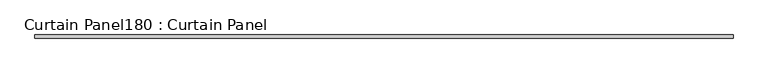
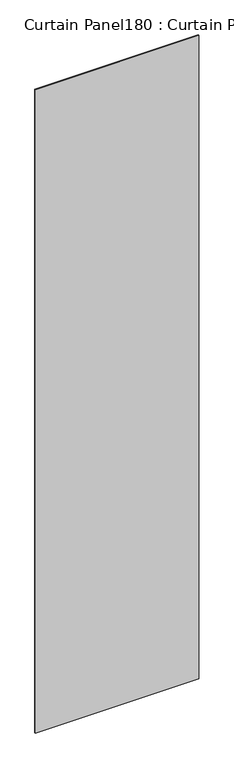
"""IFC4 building model written with IfcOpenShell, lengths in millimetres: plate geometry, Curtain Panel180 : Curtain Panel."""

from ifc_helpers import new_model, si_unit, frame, origin, place, context, project, spatial, polyline, outline, extrude, source, transform, mapped, element, save


def curtain_panel180_curtain_panel_4cce901d(model_context):
    return source(origin(), model_context, "Body", "SweptSolid", [
        extrude(outline(polyline([(546859.9957972, 2670.1439437), (541735.818837, 2670.1439437), (541735.818837, 2695.5439437), (546859.9957972, 2695.5439437), (546859.9957972, 2670.1439437)])), frame((0.0, 0.0, 4959.7989371), z_axis=(0.0, 0.0, 1.0), x_axis=(1.0, 0.0, 0.0)), (0.0, 0.0, 1.0), 21325.4152256),
    ])


if __name__ == "__main__":
    model = new_model("IFC4")
    model_context = context("Model", 3, world=origin())
    ifc_project = project(units=[si_unit("LENGTHUNIT", "METRE", prefix="MILLI")], contexts=[model_context])
    site = spatial("IfcSite", under=ifc_project)
    building = spatial("IfcBuilding", under=site)
    placement = place(None, origin())
    curtain_panel180_curtain_panel_shape = curtain_panel180_curtain_panel_4cce901d(model_context)
    element("IfcPlate", 1, ObjectType="Curtain Panel180 : Curtain Panel", at=placement, inside=building, context=model_context, shape_type="MappedRepresentation", body=[
        mapped(curtain_panel180_curtain_panel_shape, transform((0.0, 0.0, 0.0), x_axis=(1.0, 0.0, 0.0), y_axis=(0.0, 1.0, 0.0), z_axis=(0.0, 0.0, 1.0))),
    ])
    save(model, "model.ifc")
